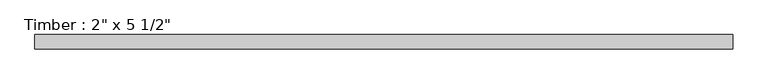
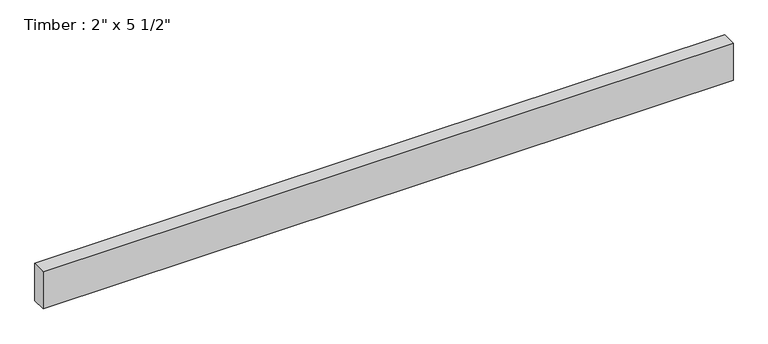
"""IFC4 building model written with IfcOpenShell, lengths in millimetres: beam geometry."""

from ifc_helpers import new_model, si_unit, frame, origin, place, context, project, spatial, polyline, outline, extrude, source, transform, mapped, element, save


def beam_90f07607(model_context):
    return source(origin(), model_context, "Body", "SweptSolid", [
        extrude(outline(polyline([(1225.5955886, 25.4), (1225.5955886, -25.4), (-1225.5955886, -25.4), (-1225.5955886, 25.4), (1225.5955886, 25.4)])), frame((0.0, 0.0, -69.85), z_axis=(0.0, 0.0, 1.0), x_axis=(1.0, 0.0, 0.0)), (0.0, 0.0, 1.0), 139.7),
    ])


if __name__ == "__main__":
    model = new_model("IFC4")
    model_context = context("Model", 3, world=origin())
    ifc_project = project(units=[si_unit("LENGTHUNIT", "METRE", prefix="MILLI")], contexts=[model_context])
    site = spatial("IfcSite", under=ifc_project)
    building = spatial("IfcBuilding", under=site)
    placement = place(None, origin())
    beam_shape = beam_90f07607(model_context)
    element("IfcBeam", 1, ObjectType="Timber : 2\" x 5 1/2\"", at=placement, inside=building, context=model_context, shape_type="MappedRepresentation", body=[
        mapped(beam_shape, transform((0.0, 0.0, 0.0), x_axis=(1.0, 0.0, 0.0), y_axis=(0.0, 1.0, 0.0), z_axis=(0.0, 0.0, 1.0))),
    ])
    save(model, "model.ifc")
